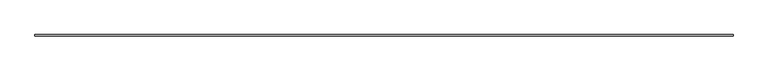
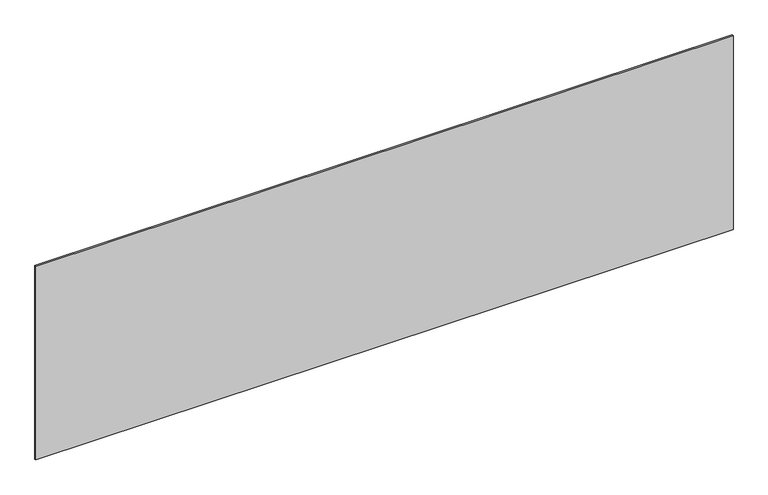
"""IFC4 building model written with IfcOpenShell, lengths in millimetres: plate geometry."""

from ifc_helpers import new_model, si_unit, origin, origin_with_axes, place, context, project, spatial, polyline, outline, extrude, source, transform, mapped, element, save


def plate_ecb06764(model_context):
    return source(origin(), model_context, "Body", "SweptSolid", [
        extrude(outline(polyline([(2264.1666667, -5.0), (-2264.1666667, -5.0), (-2264.1666667, 5.0), (2264.1666667, 5.0), (2264.1666667, -5.0)])), origin_with_axes(), (0.0, 0.0, 1.0), 1330.1743306),
    ])


if __name__ == "__main__":
    model = new_model("IFC4")
    model_context = context("Model", 3, world=origin())
    ifc_project = project(units=[si_unit("LENGTHUNIT", "METRE", prefix="MILLI")], contexts=[model_context])
    site = spatial("IfcSite", under=ifc_project)
    building = spatial("IfcBuilding", under=site)
    placement = place(None, origin())
    plate_shape = plate_ecb06764(model_context)
    element("IfcPlate", 1, at=placement, inside=building, context=model_context, shape_type="MappedRepresentation", body=[
        mapped(plate_shape, transform((0.0, 0.0, 0.0), x_axis=(1.0, 0.0, 0.0), y_axis=(0.0, 1.0, 0.0), z_axis=(0.0, 0.0, 1.0))),
    ])
    save(model, "model.ifc")
